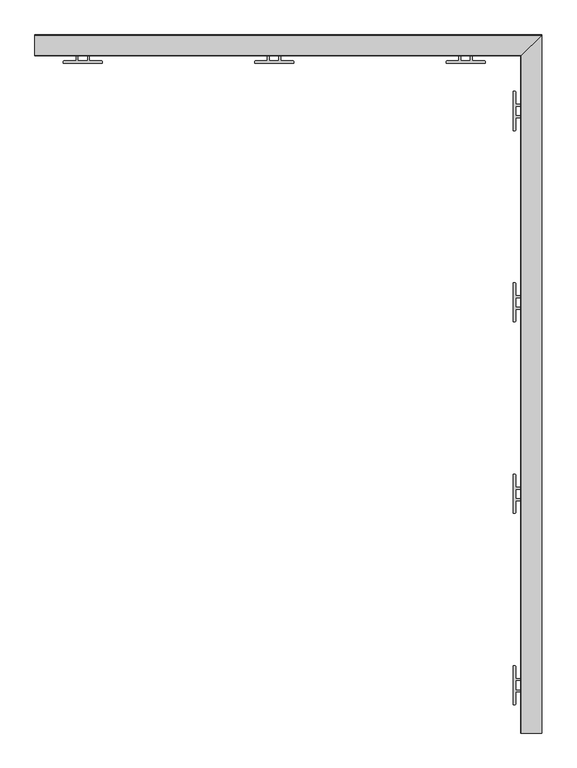
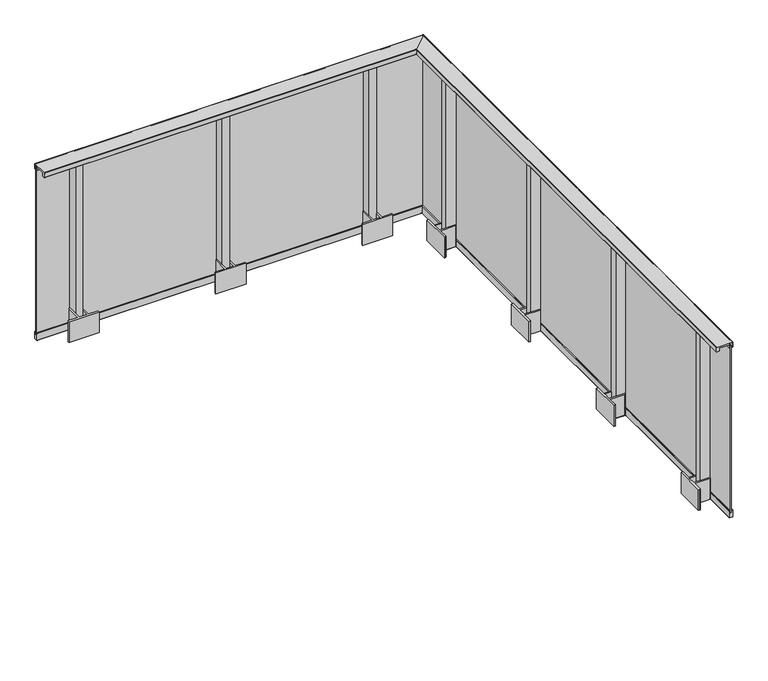
"""IFC4 building model written with IfcOpenShell, lengths in millimetres: railing geometry."""

from ifc_helpers import new_model, si_unit, frame, origin, place, context, project, spatial, polyline, circle_curve, ellipse_curve, outline, extrude, faceted_brep, source, transform, mapped, element, save
from ifc_brep_helpers import plane_surface, cylinder_surface, revolved_surface, advanced_brep


def railing_0ce4bd2d(model_context):
    return source(origin(), model_context, "Body", "SolidModel", [
        advanced_brep(
        [(1890.9819967, 3908.0185998, 1100.0), (1890.9819967, 4016.9797635, 1100.0), (1890.9819967, 4017.4797635, 1099.5), (1890.9819967, 4017.4797635, 1065.5590672), (1890.9819967, 4016.9797635, 1065.0590672), (1890.9819967, 4012.6797635, 1065.0590672), (1890.9819967, 4012.6797635, 1066.2590672), (1890.9819967, 4013.4797635, 1066.2590672), (1890.9819967, 4013.4797635, 1097.5), (1890.9819967, 4012.9797635, 1098.0), (1890.9819967, 3995.9738723, 1098.0), (1890.9819967, 3995.4738723, 1097.5), (1890.9819967, 3995.4738723, 1066.2590672), (1890.9819967, 3996.2738723, 1066.2590672), (1890.9819967, 3996.2738723, 1065.0590672), (1890.9819967, 3993.4738723, 1065.0590672), (1890.9819967, 3993.4738723, 1088.0384355), (1890.9819967, 3927.4738723, 1088.0384355), (1890.9819967, 3927.4738723, 1065.0384355), (1890.9819967, 3908.0185998, 1065.0384355), (1890.9819967, 3907.5185998, 1065.5384355), (1890.9819967, 3907.5185998, 1099.5), (4428.0014149, 3907.5185998, 1099.5), (4428.5014149, 3908.0185998, 1100.0), (4428.0014149, 3907.5185998, 1065.5384355), (4428.5014149, 3908.0185998, 1065.0384355), (4447.9566873, 3927.4738723, 1065.0384355), (4447.9566873, 3927.4738723, 1088.0384355), (4513.9566873, 3993.4738723, 1088.0384355), (4513.9566873, 3993.4738723, 1065.0590672), (4516.7566873, 3996.2738723, 1065.0590672), (4516.7566873, 3996.2738723, 1066.2590672), (4515.9566873, 3995.4738723, 1066.2590672), (4515.9566873, 3995.4738723, 1097.5), (4516.4566873, 3995.9738723, 1098.0), (4533.4625786, 4012.9797635, 1098.0), (4533.9625786, 4013.4797635, 1097.5), (4533.9625786, 4013.4797635, 1066.2590672), (4533.1625786, 4012.6797635, 1066.2590672), (4533.1625786, 4012.6797635, 1065.0590672), (4537.4625786, 4016.9797635, 1065.0590672), (4537.9625786, 4017.4797635, 1065.5590672), (4537.9625786, 4017.4797635, 1099.5), (4537.4625786, 4016.9797635, 1100.0), (4428.5014149, 370.4991817, 1100.0), (4428.0014149, 370.4991817, 1099.5), (4428.0014149, 370.4991817, 1065.5384355), (4428.5014149, 370.4991817, 1065.0384355), (4447.9566873, 370.4991817, 1065.0384355), (4447.9566873, 370.4991817, 1088.0384355), (4513.9566873, 370.4991817, 1088.0384355), (4513.9566873, 370.4991817, 1065.0590672), (4516.7566873, 370.4991817, 1065.0590672), (4516.7566873, 370.4991817, 1066.2590672), (4515.9566873, 370.4991817, 1066.2590672), (4515.9566873, 370.4991817, 1097.5), (4516.4566873, 370.4991817, 1098.0), (4533.4625786, 370.4991817, 1098.0), (4533.9625786, 370.4991817, 1097.5), (4533.9625786, 370.4991817, 1066.2590672), (4533.1625786, 370.4991817, 1066.2590672), (4533.1625786, 370.4991817, 1065.0590672), (4537.4625786, 370.4991817, 1065.0590672), (4537.9625786, 370.4991817, 1065.5590672), (4537.9625786, 370.4991817, 1099.5), (4537.4625786, 370.4991817, 1100.0)],
        [
            (0, 1),
            (1, 2, circle_curve(frame((1890.9819967, 4016.9797635, 1099.5), z_axis=(-1.0, 0.0, 0.0), x_axis=(0.0, 1.0, 0.0)), 0.5)),
            (2, 3),
            (3, 4, circle_curve(frame((1890.9819967, 4016.9797635, 1065.5590672), z_axis=(-1.0, 0.0, 0.0), x_axis=(0.0, 1.0, 0.0)), 0.5)),
            (4, 5),
            (5, 6),
            (6, 7),
            (7, 8),
            (8, 9, circle_curve(frame((1890.9819967, 4012.9797635, 1097.5), z_axis=(1.0, 0.0, 0.0), x_axis=(0.0, 1.0, 0.0)), 0.5)),
            (9, 10),
            (10, 11, circle_curve(frame((1890.9819967, 3995.9738723, 1097.5), z_axis=(1.0, 0.0, 0.0), x_axis=(0.0, 1.0, 0.0)), 0.5)),
            (11, 12),
            (12, 13),
            (13, 14),
            (14, 15),
            (15, 16),
            (16, 17),
            (17, 18),
            (18, 19),
            (19, 20, circle_curve(frame((1890.9819967, 3908.0185998, 1065.5384355), z_axis=(-1.0, 0.0, 0.0), x_axis=(0.0, 1.0, 0.0)), 0.5)),
            (20, 21),
            (21, 0, circle_curve(frame((1890.9819967, 3908.0185998, 1099.5), z_axis=(-1.0, 0.0, 0.0), x_axis=(0.0, 1.0, 0.0)), 0.5)),
            (22, 23, ellipse_curve(frame((4428.5014149, 3908.0185998, 1099.5), z_axis=(-0.7071067811865467, 0.7071067811865482, 0.0), x_axis=(0.7071067811865485, 0.7071067811865466, 0.0)), 0.7071068, 0.5)),
            (23, 0),
            (21, 22),
            (24, 22),
            (20, 24),
            (25, 24, ellipse_curve(frame((4428.5014149, 3908.0185998, 1065.5384355), z_axis=(-0.7071067811865467, 0.7071067811865482, 0.0), x_axis=(0.7071067811865485, 0.7071067811865466, 0.0)), 0.7071068, 0.5)),
            (19, 25),
            (26, 25),
            (18, 26),
            (27, 26),
            (17, 27),
            (28, 27),
            (16, 28),
            (29, 28),
            (15, 29),
            (30, 29),
            (14, 30),
            (31, 30),
            (13, 31),
            (32, 31),
            (12, 32),
            (33, 32),
            (11, 33),
            (34, 33, ellipse_curve(frame((4516.4566873, 3995.9738723, 1097.5), z_axis=(0.7071067811865467, -0.7071067811865482, 0.0), x_axis=(-0.7071067811865485, -0.7071067811865466, 0.0)), 0.7071068, 0.5)),
            (10, 34),
            (35, 34),
            (9, 35),
            (36, 35, ellipse_curve(frame((4533.4625786, 4012.9797635, 1097.5), z_axis=(0.7071067811865467, -0.7071067811865482, 0.0), x_axis=(-0.7071067811865485, -0.7071067811865466, 0.0)), 0.7071068, 0.5)),
            (8, 36),
            (37, 36),
            (7, 37),
            (38, 37),
            (6, 38),
            (39, 38),
            (5, 39),
            (40, 39),
            (4, 40),
            (41, 40, ellipse_curve(frame((4537.4625786, 4016.9797635, 1065.5590672), z_axis=(-0.7071067811865467, 0.7071067811865482, 0.0), x_axis=(0.7071067811865485, 0.7071067811865466, 0.0)), 0.7071068, 0.5)),
            (3, 41),
            (42, 41),
            (2, 42),
            (43, 42, ellipse_curve(frame((4537.4625786, 4016.9797635, 1099.5), z_axis=(-0.7071067811865467, 0.7071067811865482, 0.0), x_axis=(0.7071067811865485, 0.7071067811865466, 0.0)), 0.7071068, 0.5)),
            (1, 43),
            (23, 43),
            (44, 45, circle_curve(frame((4428.5014149, 370.4991817, 1099.5), z_axis=(0.0, -1.0, 0.0), x_axis=(1.0, 0.0, 0.0)), 0.5)),
            (45, 46),
            (46, 47, circle_curve(frame((4428.5014149, 370.4991817, 1065.5384355), z_axis=(0.0, -1.0, 0.0), x_axis=(1.0, 0.0, 0.0)), 0.5)),
            (47, 48),
            (48, 49),
            (49, 50),
            (50, 51),
            (51, 52),
            (52, 53),
            (53, 54),
            (54, 55),
            (55, 56, circle_curve(frame((4516.4566873, 370.4991817, 1097.5), z_axis=(0.0, 1.0, 0.0), x_axis=(1.0, 0.0, 0.0)), 0.5)),
            (56, 57),
            (57, 58, circle_curve(frame((4533.4625786, 370.4991817, 1097.5), z_axis=(0.0, 1.0, 0.0), x_axis=(1.0, 0.0, 0.0)), 0.5)),
            (58, 59),
            (59, 60),
            (60, 61),
            (61, 62),
            (62, 63, circle_curve(frame((4537.4625786, 370.4991817, 1065.5590672), z_axis=(0.0, -1.0, 0.0), x_axis=(1.0, 0.0, 0.0)), 0.5)),
            (63, 64),
            (64, 65, circle_curve(frame((4537.4625786, 370.4991817, 1099.5), z_axis=(0.0, -1.0, 0.0), x_axis=(1.0, 0.0, 0.0)), 0.5)),
            (65, 44),
            (44, 23),
            (22, 45),
            (24, 46),
            (25, 47),
            (26, 48),
            (27, 49),
            (28, 50),
            (29, 51),
            (30, 52),
            (31, 53),
            (32, 54),
            (33, 55),
            (34, 56),
            (35, 57),
            (36, 58),
            (37, 59),
            (38, 60),
            (39, 61),
            (40, 62),
            (41, 63),
            (42, 64),
            (43, 65),
        ],
        [
            plane_surface(frame((1890.9819967, 3962.4991817, 1100.0), z_axis=(-1.0, 0.0, 0.0), x_axis=(0.0, -1.0, 0.0))),
            cylinder_surface(frame((4482.9819967, 3908.0185998, 1099.5), z_axis=(1.0, 0.0, 0.0), x_axis=(0.0, 1.0, 0.0)), 0.5),
            plane_surface(frame((4428.0014149, 3907.5185998, 1099.5), z_axis=(0.0, -1.0, 0.0), x_axis=(-1.0, 0.0, 0.0))),
            cylinder_surface(frame((4482.9819967, 3908.0185998, 1065.5384355), z_axis=(1.0, 0.0, 0.0), x_axis=(0.0, 1.0, 0.0)), 0.5),
            plane_surface(frame((4428.5014149, 3908.0185998, 1065.0384355), z_axis=(0.0, 0.0, -1.0), x_axis=(-1.0, 0.0, 0.0))),
            plane_surface(frame((4447.9566873, 3927.4738723, 1065.0384355), z_axis=(0.0, 1.0, 0.0), x_axis=(-1.0, 0.0, 0.0))),
            plane_surface(frame((4447.9566873, 3927.4738723, 1088.0384355), z_axis=(0.0, 0.0, -1.0), x_axis=(-1.0, 0.0, 0.0))),
            plane_surface(frame((4513.9566873, 3993.4738723, 1088.0384355), z_axis=(0.0, -1.0, 0.0), x_axis=(-1.0, 0.0, 0.0))),
            plane_surface(frame((4513.9566873, 3993.4738723, 1065.0590672), z_axis=(0.0, 0.0, -1.0), x_axis=(-1.0, 0.0, 0.0))),
            plane_surface(frame((4516.7566873, 3996.2738723, 1065.0590672), z_axis=(0.0, 1.0, 0.0), x_axis=(-1.0, 0.0, 0.0))),
            plane_surface(frame((4516.7566873, 3996.2738723, 1066.2590672), z_axis=(0.0, 0.0, 1.0), x_axis=(-1.0, 0.0, 0.0))),
            plane_surface(frame((4515.9566873, 3995.4738723, 1066.2590672), z_axis=(0.0, 1.0, 0.0), x_axis=(-1.0, 0.0, 0.0))),
            revolved_surface(polyline([(1890.9819967000003, 3996.4738723, 1097.5), (4516.9566873133035, 3996.4738723, 1097.5)]), (4482.9819967, 3995.9738723, 1097.5), (-1.0, 0.0, 0.0)),
            plane_surface(frame((4516.4566873, 3995.9738723, 1098.0), z_axis=(0.0, 0.0, -1.0), x_axis=(-1.0, 0.0, 0.0))),
            revolved_surface(polyline([(1890.9819967000003, 4013.4797635, 1097.5), (4533.962578613303, 4013.4797635, 1097.5)]), (4482.9819967, 4012.9797635, 1097.5), (-1.0, 0.0, 0.0)),
            plane_surface(frame((4533.9625786, 4013.4797635, 1097.5), z_axis=(0.0, -1.0, 0.0), x_axis=(-1.0, 0.0, 0.0))),
            plane_surface(frame((4533.9625786, 4013.4797635, 1066.2590672), z_axis=(0.0, 0.0, 1.0), x_axis=(-1.0, 0.0, 0.0))),
            plane_surface(frame((4533.1625786, 4012.6797635, 1066.2590672), z_axis=(0.0, -1.0, 0.0), x_axis=(-1.0, 0.0, 0.0))),
            plane_surface(frame((4533.1625786, 4012.6797635, 1065.0590672), z_axis=(0.0, 0.0, -1.0), x_axis=(-1.0, 0.0, 0.0))),
            cylinder_surface(frame((4482.9819967, 4016.9797635, 1065.5590672), z_axis=(1.0, 0.0, 0.0), x_axis=(0.0, 1.0, 0.0)), 0.5),
            plane_surface(frame((4537.9625786, 4017.4797635, 1065.5590672), z_axis=(0.0, 1.0, 0.0), x_axis=(-1.0, 0.0, 0.0))),
            cylinder_surface(frame((4482.9819967, 4016.9797635, 1099.5), z_axis=(1.0, 0.0, 0.0), x_axis=(0.0, 1.0, 0.0)), 0.5),
            plane_surface(frame((4537.4625786, 4016.9797635, 1100.0), z_axis=(0.0, 0.0, 1.0), x_axis=(-1.0, 0.0, 0.0))),
            plane_surface(frame((4482.9819967, 370.4991817, 1100.0), z_axis=(0.0, -1.0, 0.0), x_axis=(0.0, 0.0, 1.0))),
            cylinder_surface(frame((4428.5014149, 370.4991817, 1099.5), z_axis=(0.0, -1.0, 0.0), x_axis=(1.0, 0.0, 0.0)), 0.5),
            plane_surface(frame((4428.0014149, 370.4991817, 1099.5), z_axis=(-1.0, 0.0, 0.0), x_axis=(0.0, 1.0, 0.0))),
            cylinder_surface(frame((4428.5014149, 370.4991817, 1065.5384355), z_axis=(0.0, -1.0, 0.0), x_axis=(1.0, 0.0, 0.0)), 0.5),
            plane_surface(frame((4428.5014149, 370.4991817, 1065.0384355), z_axis=(0.0, 0.0, -1.0), x_axis=(0.0, 1.0, 0.0))),
            plane_surface(frame((4447.9566873, 370.4991817, 1065.0384355), z_axis=(1.0, 0.0, 0.0), x_axis=(0.0, 1.0, 0.0))),
            plane_surface(frame((4447.9566873, 370.4991817, 1088.0384355), z_axis=(0.0, 0.0, -1.0), x_axis=(0.0, 1.0, 0.0))),
            plane_surface(frame((4513.9566873, 370.4991817, 1088.0384355), z_axis=(-1.0, 0.0, 0.0), x_axis=(0.0, 1.0, 0.0))),
            plane_surface(frame((4513.9566873, 370.4991817, 1065.0590672), z_axis=(0.0, 0.0, -1.0), x_axis=(0.0, 1.0, 0.0))),
            plane_surface(frame((4516.7566873, 370.4991817, 1065.0590672), z_axis=(1.0, 0.0, 0.0), x_axis=(0.0, 1.0, 0.0))),
            plane_surface(frame((4516.7566873, 370.4991817, 1066.2590672), z_axis=(0.0, 0.0, 1.0), x_axis=(0.0, 1.0, 0.0))),
            plane_surface(frame((4515.9566873, 370.4991817, 1066.2590672), z_axis=(1.0, 0.0, 0.0), x_axis=(0.0, 1.0, 0.0))),
            revolved_surface(polyline([(4516.9566873, 3996.473872313303, 1097.5), (4516.9566873, 370.4991817, 1097.5)]), (4516.4566873, 370.4991817, 1097.5), (0.0, 1.0, 0.0)),
            plane_surface(frame((4516.4566873, 370.4991817, 1098.0), z_axis=(0.0, 0.0, -1.0), x_axis=(0.0, 1.0, 0.0))),
            revolved_surface(polyline([(4533.9625786, 4013.479763513303, 1097.5), (4533.9625786, 370.4991817, 1097.5)]), (4533.4625786, 370.4991817, 1097.5), (0.0, 1.0, 0.0)),
            plane_surface(frame((4533.9625786, 370.4991817, 1097.5), z_axis=(-1.0, 0.0, 0.0), x_axis=(0.0, 1.0, 0.0))),
            plane_surface(frame((4533.9625786, 370.4991817, 1066.2590672), z_axis=(0.0, 0.0, 1.0), x_axis=(0.0, 1.0, 0.0))),
            plane_surface(frame((4533.1625786, 370.4991817, 1066.2590672), z_axis=(-1.0, 0.0, 0.0), x_axis=(0.0, 1.0, 0.0))),
            plane_surface(frame((4533.1625786, 370.4991817, 1065.0590672), z_axis=(0.0, 0.0, -1.0), x_axis=(0.0, 1.0, 0.0))),
            cylinder_surface(frame((4537.4625786, 370.4991817, 1065.5590672), z_axis=(0.0, -1.0, 0.0), x_axis=(1.0, 0.0, 0.0)), 0.5),
            plane_surface(frame((4537.9625786, 370.4991817, 1065.5590672), z_axis=(1.0, 0.0, 0.0), x_axis=(0.0, 1.0, 0.0))),
            cylinder_surface(frame((4537.4625786, 370.4991817, 1099.5), z_axis=(0.0, -1.0, 0.0), x_axis=(1.0, 0.0, 0.0)), 0.5),
            plane_surface(frame((4537.4625786, 370.4991817, 1100.0), z_axis=(0.0, 0.0, 1.0), x_axis=(0.0, 1.0, 0.0))),
        ],
        [
            (0, [[1, 2, 3, 4, 5, 6, 7, 8, 9, 10, 11, 12, 13, 14, 15, 16, 17, 18, 19, 20, 21, 22]]),
            (1, [[23, 24, -22, 25]]),
            (2, [[26, -25, -21, 27]]),
            (3, [[28, -27, -20, 29]]),
            (4, [[30, -29, -19, 31]]),
            (5, [[32, -31, -18, 33]]),
            (6, [[34, -33, -17, 35]]),
            (7, [[36, -35, -16, 37]]),
            (8, [[38, -37, -15, 39]]),
            (9, [[40, -39, -14, 41]]),
            (10, [[42, -41, -13, 43]]),
            (11, [[44, -43, -12, 45]]),
            (12, [[46, -45, -11, 47]]),
            (13, [[48, -47, -10, 49]]),
            (14, [[50, -49, -9, 51]]),
            (15, [[52, -51, -8, 53]]),
            (16, [[54, -53, -7, 55]]),
            (17, [[56, -55, -6, 57]]),
            (18, [[58, -57, -5, 59]]),
            (19, [[60, -59, -4, 61]]),
            (20, [[62, -61, -3, 63]]),
            (21, [[64, -63, -2, 65]]),
            (22, [[66, -65, -1, -24]]),
            (23, [[67, 68, 69, 70, 71, 72, 73, 74, 75, 76, 77, 78, 79, 80, 81, 82, 83, 84, 85, 86, 87, 88]]),
            (24, [[-67, 89, -23, 90]]),
            (25, [[-68, -90, -26, 91]]),
            (26, [[-69, -91, -28, 92]]),
            (27, [[-70, -92, -30, 93]]),
            (28, [[-71, -93, -32, 94]]),
            (29, [[-72, -94, -34, 95]]),
            (30, [[-73, -95, -36, 96]]),
            (31, [[-74, -96, -38, 97]]),
            (32, [[-75, -97, -40, 98]]),
            (33, [[-76, -98, -42, 99]]),
            (34, [[-77, -99, -44, 100]]),
            (35, [[-78, -100, -46, 101]]),
            (36, [[-79, -101, -48, 102]]),
            (37, [[-80, -102, -50, 103]]),
            (38, [[-81, -103, -52, 104]]),
            (39, [[-82, -104, -54, 105]]),
            (40, [[-83, -105, -56, 106]]),
            (41, [[-84, -106, -58, 107]]),
            (42, [[-85, -107, -60, 108]]),
            (43, [[-86, -108, -62, 109]]),
            (44, [[-87, -109, -64, 110]]),
            (45, [[-88, -110, -66, -89]]),
        ],
    ),
        faceted_brep([(1890.9819967, 4009.4991817, 1075.0), (1890.9819967, 4009.4991817, -125.0), (1890.9819967, 4001.4991817, -125.0), (1890.9819967, 4001.4991817, 1075.0), (4521.9819967, 4001.4991817, 1075.0), (4529.9819967, 4009.4991817, 1075.0), (4521.9819967, 4001.4991817, -125.0), (4529.9819967, 4009.4991817, -125.0), (4529.9819967, 370.4991817, 1075.0), (4521.9819967, 370.4991817, 1075.0), (4521.9819967, 370.4991817, -125.0), (4529.9819967, 370.4991817, -125.0)], [[[0, 1, 2, 3]], [[4, 5, 0, 3]], [[6, 4, 3, 2]], [[7, 6, 2, 1]], [[5, 7, 1, 0]], [[8, 9, 10, 11]], [[9, 8, 5, 4]], [[10, 9, 4, 6]], [[11, 10, 6, 7]], [[8, 11, 7, 5]]]),
        faceted_brep([(1890.9819967, 3996.186439, 1065.2160621), (1890.9819967, 3996.186439, 1074.1464874), (1890.9819967, 4001.4991817, 1072.0), (1890.9819967, 4001.4991817, 1061.8454347), (1890.9819967, 3995.1613513, 1063.6627783), (1890.9819967, 3995.1613513, 1065.2160621), (4515.6441664, 3995.1613513, 1065.2160621), (4516.6692541, 3996.186439, 1065.2160621), (4515.6441664, 3995.1613513, 1063.6627783), (4521.9819967, 4001.4991817, 1061.8454347), (4521.9819967, 4001.4991817, 1072.0), (4516.6692541, 3996.186439, 1074.1464874), (4516.6692541, 370.4991817, 1065.2160621), (4515.6441664, 370.4991817, 1065.2160621), (4515.6441664, 370.4991817, 1063.6627783), (4521.9819967, 370.4991817, 1061.8454347), (4521.9819967, 370.4991817, 1072.0), (4516.6692541, 370.4991817, 1074.1464874)], [[[0, 1, 2, 3, 4, 5]], [[6, 7, 0, 5]], [[8, 6, 5, 4]], [[9, 8, 4, 3]], [[10, 9, 3, 2]], [[11, 10, 2, 1]], [[7, 11, 1, 0]], [[12, 13, 14, 15, 16, 17]], [[13, 12, 7, 6]], [[14, 13, 6, 8]], [[15, 14, 8, 9]], [[16, 15, 9, 10]], [[17, 16, 10, 11]], [[12, 17, 11, 7]]]),
        faceted_brep([(1890.9819967, 4014.8119243, 1065.2160621), (1890.9819967, 4015.837012, 1065.2160621), (1890.9819967, 4015.837012, 1063.6627783), (1890.9819967, 4009.4991817, 1061.8454347), (1890.9819967, 4009.4991817, 1072.0), (1890.9819967, 4014.8119243, 1074.1464874), (4535.2947394, 4014.8119243, 1074.1464874), (4535.2947394, 4014.8119243, 1065.2160621), (4529.9819967, 4009.4991817, 1072.0), (4529.9819967, 4009.4991817, 1061.8454347), (4536.3198271, 4015.837012, 1063.6627783), (4536.3198271, 4015.837012, 1065.2160621), (4535.2947394, 370.4991817, 1065.2160621), (4535.2947394, 370.4991817, 1074.1464874), (4529.9819967, 370.4991817, 1072.0), (4529.9819967, 370.4991817, 1061.8454347), (4536.3198271, 370.4991817, 1063.6627783), (4536.3198271, 370.4991817, 1065.2160621)], [[[0, 1, 2, 3, 4, 5]], [[6, 7, 0, 5]], [[8, 6, 5, 4]], [[9, 8, 4, 3]], [[10, 9, 3, 2]], [[11, 10, 2, 1]], [[7, 11, 1, 0]], [[12, 13, 14, 15, 16, 17]], [[13, 12, 7, 6]], [[14, 13, 6, 8]], [[15, 14, 8, 9]], [[16, 15, 9, 10]], [[17, 16, 10, 11]], [[12, 17, 11, 7]]]),
        advanced_brep(
        [(1890.9819967, 4016.9991817, -160.0), (1890.9819967, 3993.9991817, -160.0), (1890.9819967, 3993.4991817, -159.5), (1890.9819967, 3993.4991817, -110.5), (1890.9819967, 3993.9991817, -110.0), (1890.9819967, 4016.9991817, -110.0), (1890.9819967, 4017.4991817, -110.5), (1890.9819967, 4017.4991817, -159.5), (4537.9819967, 4017.4991817, -159.5), (4537.4819967, 4016.9991817, -160.0), (4537.9819967, 4017.4991817, -110.5), (4537.4819967, 4016.9991817, -110.0), (4514.4819967, 3993.9991817, -110.0), (4513.9819967, 3993.4991817, -110.5), (4513.9819967, 3993.4991817, -159.5), (4514.4819967, 3993.9991817, -160.0), (4537.4819967, 370.4991817, -160.0), (4537.9819967, 370.4991817, -159.5), (4537.9819967, 370.4991817, -110.5), (4537.4819967, 370.4991817, -110.0), (4514.4819967, 370.4991817, -110.0), (4513.9819967, 370.4991817, -110.5), (4513.9819967, 370.4991817, -159.5), (4514.4819967, 370.4991817, -160.0)],
        [
            (0, 1),
            (1, 2, circle_curve(frame((1890.9819967, 3993.9991817, -159.5), z_axis=(-1.0, 0.0, 0.0), x_axis=(0.0, 1.0, 0.0)), 0.5)),
            (2, 3),
            (3, 4, circle_curve(frame((1890.9819967, 3993.9991817, -110.5), z_axis=(-1.0, 0.0, 0.0), x_axis=(0.0, 1.0, 0.0)), 0.5)),
            (4, 5),
            (5, 6, circle_curve(frame((1890.9819967, 4016.9991817, -110.5), z_axis=(-1.0, 0.0, 0.0), x_axis=(0.0, 1.0, 0.0)), 0.5)),
            (6, 7),
            (7, 0, circle_curve(frame((1890.9819967, 4016.9991817, -159.5), z_axis=(-1.0, 0.0, 0.0), x_axis=(0.0, 1.0, 0.0)), 0.5)),
            (8, 9, ellipse_curve(frame((4537.4819967, 4016.9991817, -159.5), z_axis=(-0.7071067811865467, 0.7071067811865482, 0.0), x_axis=(0.7071067811865485, 0.7071067811865466, 0.0)), 0.7071068, 0.5)),
            (9, 0),
            (7, 8),
            (10, 8),
            (6, 10),
            (11, 10, ellipse_curve(frame((4537.4819967, 4016.9991817, -110.5), z_axis=(-0.7071067811865467, 0.7071067811865482, 0.0), x_axis=(0.7071067811865485, 0.7071067811865466, 0.0)), 0.7071068, 0.5)),
            (5, 11),
            (12, 11),
            (4, 12),
            (13, 12, ellipse_curve(frame((4514.4819967, 3993.9991817, -110.5), z_axis=(-0.7071067811865467, 0.7071067811865482, 0.0), x_axis=(0.7071067811865485, 0.7071067811865466, 0.0)), 0.7071068, 0.5)),
            (3, 13),
            (14, 13),
            (2, 14),
            (15, 14, ellipse_curve(frame((4514.4819967, 3993.9991817, -159.5), z_axis=(-0.7071067811865467, 0.7071067811865482, 0.0), x_axis=(0.7071067811865485, 0.7071067811865466, 0.0)), 0.7071068, 0.5)),
            (1, 15),
            (9, 15),
            (16, 17, circle_curve(frame((4537.4819967, 370.4991817, -159.5), z_axis=(0.0, -1.0, 0.0), x_axis=(1.0, 0.0, 0.0)), 0.5)),
            (17, 18),
            (18, 19, circle_curve(frame((4537.4819967, 370.4991817, -110.5), z_axis=(0.0, -1.0, 0.0), x_axis=(1.0, 0.0, 0.0)), 0.5)),
            (19, 20),
            (20, 21, circle_curve(frame((4514.4819967, 370.4991817, -110.5), z_axis=(0.0, -1.0, 0.0), x_axis=(1.0, 0.0, 0.0)), 0.5)),
            (21, 22),
            (22, 23, circle_curve(frame((4514.4819967, 370.4991817, -159.5), z_axis=(0.0, -1.0, 0.0), x_axis=(1.0, 0.0, 0.0)), 0.5)),
            (23, 16),
            (16, 9),
            (8, 17),
            (10, 18),
            (11, 19),
            (12, 20),
            (13, 21),
            (14, 22),
            (15, 23),
        ],
        [
            plane_surface(frame((1890.9819967, 4005.4991817, -160.0), z_axis=(-1.0, 0.0, 0.0), x_axis=(0.0, -1.0, 0.0))),
            cylinder_surface(frame((4525.9819967, 4016.9991817, -159.5), z_axis=(1.0, 0.0, 0.0), x_axis=(0.0, 1.0, 0.0)), 0.5),
            plane_surface(frame((4537.9819967, 4017.4991817, -159.5), z_axis=(0.0, 1.0, 0.0), x_axis=(-1.0, 0.0, 0.0))),
            cylinder_surface(frame((4525.9819967, 4016.9991817, -110.5), z_axis=(1.0, 0.0, 0.0), x_axis=(0.0, 1.0, 0.0)), 0.5),
            plane_surface(frame((4537.4819967, 4016.9991817, -110.0), z_axis=(0.0, 0.0, 1.0), x_axis=(-1.0, 0.0, 0.0))),
            cylinder_surface(frame((4525.9819967, 3993.9991817, -110.5), z_axis=(1.0, 0.0, 0.0), x_axis=(0.0, 1.0, 0.0)), 0.5),
            plane_surface(frame((4513.9819967, 3993.4991817, -110.5), z_axis=(0.0, -1.0, 0.0), x_axis=(-1.0, 0.0, 0.0))),
            cylinder_surface(frame((4525.9819967, 3993.9991817, -159.5), z_axis=(1.0, 0.0, 0.0), x_axis=(0.0, 1.0, 0.0)), 0.5),
            plane_surface(frame((4514.4819967, 3993.9991817, -160.0), z_axis=(0.0, 0.0, -1.0), x_axis=(-1.0, 0.0, 0.0))),
            plane_surface(frame((4525.9819967, 370.4991817, -160.0), z_axis=(0.0, -1.0, 0.0), x_axis=(0.0, 0.0, 1.0))),
            cylinder_surface(frame((4537.4819967, 370.4991817, -159.5), z_axis=(0.0, -1.0, 0.0), x_axis=(1.0, 0.0, 0.0)), 0.5),
            plane_surface(frame((4537.9819967, 370.4991817, -159.5), z_axis=(1.0, 0.0, 0.0), x_axis=(0.0, 1.0, 0.0))),
            cylinder_surface(frame((4537.4819967, 370.4991817, -110.5), z_axis=(0.0, -1.0, 0.0), x_axis=(1.0, 0.0, 0.0)), 0.5),
            plane_surface(frame((4537.4819967, 370.4991817, -110.0), z_axis=(0.0, 0.0, 1.0), x_axis=(0.0, 1.0, 0.0))),
            cylinder_surface(frame((4514.4819967, 370.4991817, -110.5), z_axis=(0.0, -1.0, 0.0), x_axis=(1.0, 0.0, 0.0)), 0.5),
            plane_surface(frame((4513.9819967, 370.4991817, -110.5), z_axis=(-1.0, 0.0, 0.0), x_axis=(0.0, 1.0, 0.0))),
            cylinder_surface(frame((4514.4819967, 370.4991817, -159.5), z_axis=(0.0, -1.0, 0.0), x_axis=(1.0, 0.0, 0.0)), 0.5),
            plane_surface(frame((4514.4819967, 370.4991817, -160.0), z_axis=(0.0, 0.0, -1.0), x_axis=(0.0, 1.0, 0.0))),
        ],
        [
            (0, [[1, 2, 3, 4, 5, 6, 7, 8]]),
            (1, [[9, 10, -8, 11]]),
            (2, [[12, -11, -7, 13]]),
            (3, [[14, -13, -6, 15]]),
            (4, [[16, -15, -5, 17]]),
            (5, [[18, -17, -4, 19]]),
            (6, [[20, -19, -3, 21]]),
            (7, [[22, -21, -2, 23]]),
            (8, [[24, -23, -1, -10]]),
            (9, [[25, 26, 27, 28, 29, 30, 31, 32]]),
            (10, [[-25, 33, -9, 34]]),
            (11, [[-26, -34, -12, 35]]),
            (12, [[-27, -35, -14, 36]]),
            (13, [[-28, -36, -16, 37]]),
            (14, [[-29, -37, -18, 38]]),
            (15, [[-30, -38, -20, 39]]),
            (16, [[-31, -39, -22, 40]]),
            (17, [[-32, -40, -24, -33]]),
        ],
    ),
        extrude(outline(polyline([(2115.9819967, 3928.4991817), (2115.9819967, 3993.4991817), (2165.9819967, 3993.4991817), (2165.9819967, 3928.4991817), (2115.9819967, 3928.4991817)])), frame((0.0, 0.0, -162.0), z_axis=(0.0, 0.0, 1.0), x_axis=(1.0, 0.0, 0.0)), (0.0, 0.0, 1.0), 1250.0384355),
        extrude(outline(polyline([(2038.4819967, 3870.4991817), (2038.4819967, 3879.6707545), (2041.3104239, 3882.4991817), (2105.9612097, 3882.4991817), (2105.9612097, 3985.4362256), (2109.4872118, 3990.4718784), (2115.9612097, 3990.4718784), (2115.9612097, 3882.4991817), (2166.0027837, 3882.4991817), (2166.0027837, 3990.4718784), (2172.4767816, 3990.4718784), (2176.0027837, 3985.4362256), (2176.0027837, 3882.4991817), (2240.6535696, 3882.4991817), (2243.4819967, 3879.6707545), (2243.4819967, 3870.4991817), (2038.4819967, 3870.4991817)])), frame((0.0, 0.0, -152.0), z_axis=(0.0, 0.0, 1.0), x_axis=(1.0, 0.0, 0.0)), (0.0, 0.0, 1.0), 150.0),
        extrude(outline(polyline([(3115.9819967, 3928.4991817), (3115.9819967, 3993.4991817), (3165.9819967, 3993.4991817), (3165.9819967, 3928.4991817), (3115.9819967, 3928.4991817)])), frame((0.0, 0.0, -162.0), z_axis=(0.0, 0.0, 1.0), x_axis=(1.0, 0.0, 0.0)), (0.0, 0.0, 1.0), 1250.0384355),
        extrude(outline(polyline([(3038.4819967, 3870.4991817), (3038.4819967, 3879.6707545), (3041.3104239, 3882.4991817), (3105.9612097, 3882.4991817), (3105.9612097, 3985.4362256), (3109.4872118, 3990.4718784), (3115.9612097, 3990.4718784), (3115.9612097, 3882.4991817), (3166.0027837, 3882.4991817), (3166.0027837, 3990.4718784), (3172.4767816, 3990.4718784), (3176.0027837, 3985.4362256), (3176.0027837, 3882.4991817), (3240.6535696, 3882.4991817), (3243.4819967, 3879.6707545), (3243.4819967, 3870.4991817), (3038.4819967, 3870.4991817)])), frame((0.0, 0.0, -152.0), z_axis=(0.0, 0.0, 1.0), x_axis=(1.0, 0.0, 0.0)), (0.0, 0.0, 1.0), 150.0),
        extrude(outline(polyline([(4115.9819967, 3928.4991817), (4115.9819967, 3993.4991817), (4165.9819967, 3993.4991817), (4165.9819967, 3928.4991817), (4115.9819967, 3928.4991817)])), frame((0.0, 0.0, -162.0), z_axis=(0.0, 0.0, 1.0), x_axis=(1.0, 0.0, 0.0)), (0.0, 0.0, 1.0), 1250.0384355),
        extrude(outline(polyline([(4038.4819967, 3870.4991817), (4038.4819967, 3879.6707545), (4041.3104239, 3882.4991817), (4105.9612097, 3882.4991817), (4105.9612097, 3985.4362256), (4109.4872118, 3990.4718784), (4115.9612097, 3990.4718784), (4115.9612097, 3882.4991817), (4166.0027837, 3882.4991817), (4166.0027837, 3990.4718784), (4172.4767816, 3990.4718784), (4176.0027837, 3985.4362256), (4176.0027837, 3882.4991817), (4240.6535696, 3882.4991817), (4243.4819967, 3879.6707545), (4243.4819967, 3870.4991817), (4038.4819967, 3870.4991817)])), frame((0.0, 0.0, -152.0), z_axis=(0.0, 0.0, 1.0), x_axis=(1.0, 0.0, 0.0)), (0.0, 0.0, 1.0), 150.0),
        extrude(outline(polyline([(4448.9819967, 3645.4991817), (4513.9819967, 3645.4991817), (4513.9819967, 3595.4991817), (4448.9819967, 3595.4991817), (4448.9819967, 3645.4991817)])), frame((0.0, 0.0, -162.0), z_axis=(0.0, 0.0, 1.0), x_axis=(1.0, 0.0, 0.0)), (0.0, 0.0, 1.0), 1250.0384355),
        extrude(outline(polyline([(4390.9819967, 3722.9991817), (4400.1535696, 3722.9991817), (4402.9819967, 3720.1707545), (4402.9819967, 3655.5199687), (4505.9190406, 3655.5199687), (4510.9546935, 3651.9939666), (4510.9546935, 3645.5199687), (4402.9819967, 3645.5199687), (4402.9819967, 3595.4783947), (4510.9546935, 3595.4783947), (4510.9546935, 3589.0043968), (4505.9190406, 3585.4783947), (4402.9819967, 3585.4783947), (4402.9819967, 3520.8276088), (4400.1535696, 3517.9991817), (4390.9819967, 3517.9991817), (4390.9819967, 3722.9991817)])), frame((0.0, 0.0, -152.0), z_axis=(0.0, 0.0, 1.0), x_axis=(1.0, 0.0, 0.0)), (0.0, 0.0, 1.0), 150.0),
        extrude(outline(polyline([(4448.9819967, 2645.4991817), (4513.9819967, 2645.4991817), (4513.9819967, 2595.4991817), (4448.9819967, 2595.4991817), (4448.9819967, 2645.4991817)])), frame((0.0, 0.0, -162.0), z_axis=(0.0, 0.0, 1.0), x_axis=(1.0, 0.0, 0.0)), (0.0, 0.0, 1.0), 1250.0384355),
        extrude(outline(polyline([(4390.9819967, 2722.9991817), (4400.1535696, 2722.9991817), (4402.9819967, 2720.1707545), (4402.9819967, 2655.5199687), (4505.9190406, 2655.5199687), (4510.9546935, 2651.9939666), (4510.9546935, 2645.5199687), (4402.9819967, 2645.5199687), (4402.9819967, 2595.4783947), (4510.9546935, 2595.4783947), (4510.9546935, 2589.0043968), (4505.9190406, 2585.4783947), (4402.9819967, 2585.4783947), (4402.9819967, 2520.8276088), (4400.1535696, 2517.9991817), (4390.9819967, 2517.9991817), (4390.9819967, 2722.9991817)])), frame((0.0, 0.0, -152.0), z_axis=(0.0, 0.0, 1.0), x_axis=(1.0, 0.0, 0.0)), (0.0, 0.0, 1.0), 150.0),
        extrude(outline(polyline([(4448.9819967, 1645.4991817), (4513.9819967, 1645.4991817), (4513.9819967, 1595.4991817), (4448.9819967, 1595.4991817), (4448.9819967, 1645.4991817)])), frame((0.0, 0.0, -162.0), z_axis=(0.0, 0.0, 1.0), x_axis=(1.0, 0.0, 0.0)), (0.0, 0.0, 1.0), 1250.0384355),
        extrude(outline(polyline([(4390.9819967, 1722.9991817), (4400.1535696, 1722.9991817), (4402.9819967, 1720.1707545), (4402.9819967, 1655.5199687), (4505.9190406, 1655.5199687), (4510.9546935, 1651.9939666), (4510.9546935, 1645.5199687), (4402.9819967, 1645.5199687), (4402.9819967, 1595.4783947), (4510.9546935, 1595.4783947), (4510.9546935, 1589.0043968), (4505.9190406, 1585.4783947), (4402.9819967, 1585.4783947), (4402.9819967, 1520.8276088), (4400.1535696, 1517.9991817), (4390.9819967, 1517.9991817), (4390.9819967, 1722.9991817)])), frame((0.0, 0.0, -152.0), z_axis=(0.0, 0.0, 1.0), x_axis=(1.0, 0.0, 0.0)), (0.0, 0.0, 1.0), 150.0),
        extrude(outline(polyline([(4448.9819967, 645.4991817), (4513.9819967, 645.4991817), (4513.9819967, 595.4991817), (4448.9819967, 595.4991817), (4448.9819967, 645.4991817)])), frame((0.0, 0.0, -162.0), z_axis=(0.0, 0.0, 1.0), x_axis=(1.0, 0.0, 0.0)), (0.0, 0.0, 1.0), 1250.0384355),
        extrude(outline(polyline([(4390.9819967, 722.9991817), (4400.1535696, 722.9991817), (4402.9819967, 720.1707545), (4402.9819967, 655.5199687), (4505.9190406, 655.5199687), (4510.9546935, 651.9939666), (4510.9546935, 645.5199687), (4402.9819967, 645.5199687), (4402.9819967, 595.4783947), (4510.9546935, 595.4783947), (4510.9546935, 589.0043968), (4505.9190406, 585.4783947), (4402.9819967, 585.4783947), (4402.9819967, 520.8276088), (4400.1535696, 517.9991817), (4390.9819967, 517.9991817), (4390.9819967, 722.9991817)])), frame((0.0, 0.0, -152.0), z_axis=(0.0, 0.0, 1.0), x_axis=(1.0, 0.0, 0.0)), (0.0, 0.0, 1.0), 150.0),
        extrude(outline(polyline([(2115.9819967, 3928.4991817), (2115.9819967, 3993.4991817), (2165.9819967, 3993.4991817), (2165.9819967, 3928.4991817), (2115.9819967, 3928.4991817)])), frame((0.0, 0.0, -162.0), z_axis=(0.0, 0.0, 1.0), x_axis=(1.0, 0.0, 0.0)), (0.0, 0.0, 1.0), 1250.0384355),
        extrude(outline(polyline([(2038.4819967, 3870.4991817), (2038.4819967, 3879.6707545), (2041.3104239, 3882.4991817), (2105.9612097, 3882.4991817), (2105.9612097, 3985.4362256), (2109.4872118, 3990.4718784), (2115.9612097, 3990.4718784), (2115.9612097, 3882.4991817), (2166.0027837, 3882.4991817), (2166.0027837, 3990.4718784), (2172.4767816, 3990.4718784), (2176.0027837, 3985.4362256), (2176.0027837, 3882.4991817), (2240.6535696, 3882.4991817), (2243.4819967, 3879.6707545), (2243.4819967, 3870.4991817), (2038.4819967, 3870.4991817)])), frame((0.0, 0.0, -152.0), z_axis=(0.0, 0.0, 1.0), x_axis=(1.0, 0.0, 0.0)), (0.0, 0.0, 1.0), 150.0),
        extrude(outline(polyline([(4448.9819967, 645.4991817), (4513.9819967, 645.4991817), (4513.9819967, 595.4991817), (4448.9819967, 595.4991817), (4448.9819967, 645.4991817)])), frame((0.0, 0.0, -162.0), z_axis=(0.0, 0.0, 1.0), x_axis=(1.0, 0.0, 0.0)), (0.0, 0.0, 1.0), 1250.0384355),
        extrude(outline(polyline([(4390.9819967, 722.9991817), (4400.1535696, 722.9991817), (4402.9819967, 720.1707545), (4402.9819967, 655.5199687), (4505.9190406, 655.5199687), (4510.9546935, 651.9939666), (4510.9546935, 645.5199687), (4402.9819967, 645.5199687), (4402.9819967, 595.4783947), (4510.9546935, 595.4783947), (4510.9546935, 589.0043968), (4505.9190406, 585.4783947), (4402.9819967, 585.4783947), (4402.9819967, 520.8276088), (4400.1535696, 517.9991817), (4390.9819967, 517.9991817), (4390.9819967, 722.9991817)])), frame((0.0, 0.0, -152.0), z_axis=(0.0, 0.0, 1.0), x_axis=(1.0, 0.0, 0.0)), (0.0, 0.0, 1.0), 150.0),
    ])


if __name__ == "__main__":
    model = new_model("IFC4")
    model_context = context("Model", 3, world=origin())
    ifc_project = project(units=[si_unit("LENGTHUNIT", "METRE", prefix="MILLI")], contexts=[model_context])
    site = spatial("IfcSite", under=ifc_project)
    building = spatial("IfcBuilding", under=site)
    placement = place(None, origin())
    railing_shape = railing_0ce4bd2d(model_context)
    element("IfcRailing", 1, at=placement, inside=building, context=model_context, shape_type="MappedRepresentation", body=[
        mapped(railing_shape, transform((0.0, 0.0, 0.0), x_axis=(1.0, 0.0, 0.0), y_axis=(0.0, 1.0, 0.0), z_axis=(0.0, 0.0, 1.0))),
    ])
    save(model, "model.ifc")
